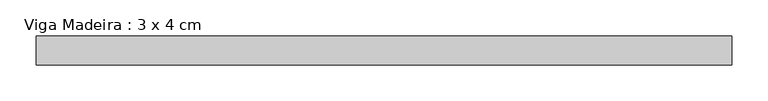
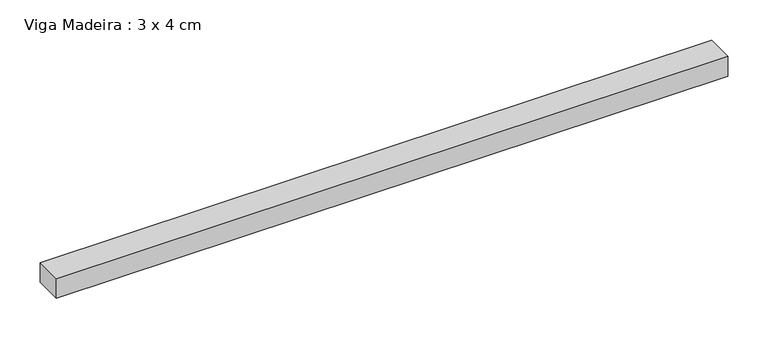
"""IFC4 building model written with IfcOpenShell, lengths in millimetres: beam geometry, Viga Madeira : 3 x 4 cm."""

from ifc_helpers import new_model, si_unit, frame, origin, place, context, project, spatial, polyline, outline, extrude, source, transform, mapped, element, save


def viga_madeira_3_x_4_cm_48e1118c(model_context):
    return source(origin(), model_context, "Body", "SweptSolid", [
        extrude(outline(polyline([(480.6626713, 20.0), (480.6626713, -20.0), (-480.6626713, -20.0), (-480.6626713, 20.0), (480.6626713, 20.0)])), frame((0.0, 0.0, -15.0), z_axis=(0.0, 0.0, 1.0), x_axis=(1.0, 0.0, 0.0)), (0.0, 0.0, 1.0), 30.0),
    ])


if __name__ == "__main__":
    model = new_model("IFC4")
    model_context = context("Model", 3, world=origin())
    ifc_project = project(units=[si_unit("LENGTHUNIT", "METRE", prefix="MILLI")], contexts=[model_context])
    site = spatial("IfcSite", under=ifc_project)
    building = spatial("IfcBuilding", under=site)
    placement = place(None, origin())
    viga_madeira_3_x_4_cm_shape = viga_madeira_3_x_4_cm_48e1118c(model_context)
    element("IfcBeam", 1, ObjectType="Viga Madeira : 3 x 4 cm", at=placement, inside=building, context=model_context, shape_type="MappedRepresentation", body=[
        mapped(viga_madeira_3_x_4_cm_shape, transform((0.0, 0.0, 0.0), x_axis=(1.0, 0.0, 0.0), y_axis=(0.0, 1.0, 0.0), z_axis=(0.0, 0.0, 1.0))),
    ])
    save(model, "model.ifc")
